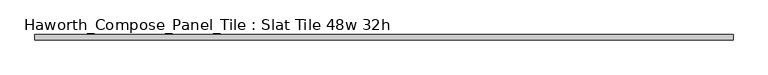
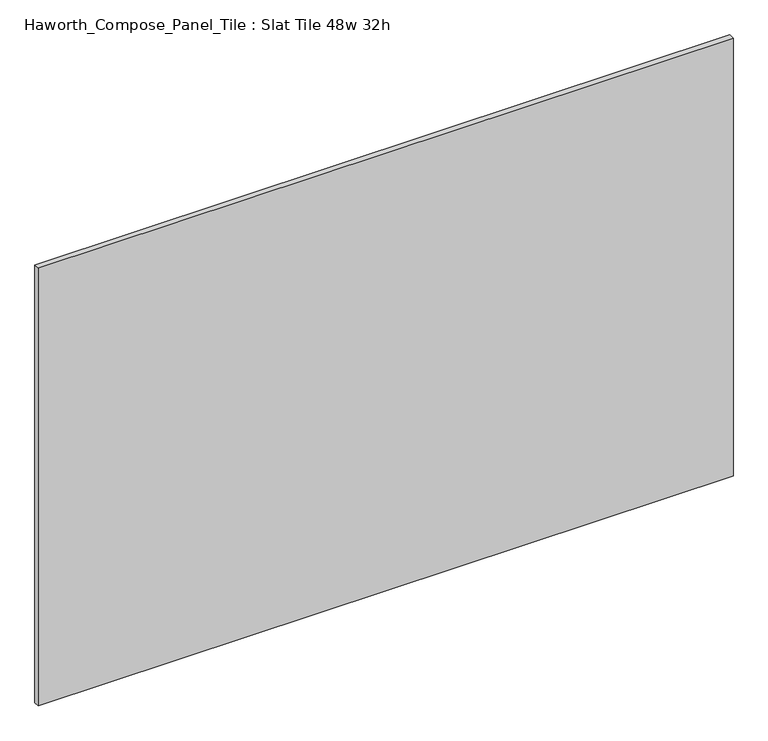
"""IFC4 building model written with IfcOpenShell, lengths in millimetres: furniture geometry, Haworth_Compose_Panel_Tile : Slat Tile 48w 32h."""

from ifc_helpers import new_model, si_unit, frame, origin, place, context, project, spatial, polyline, outline, extrude, source, transform, mapped, element, save


def haworth_compose_panel_tile_slat_tile_48w_32h_9011693a(model_context):
    return source(origin(), model_context, "Body", "SweptSolid", [
        extrude(outline(polyline([(612.0402902, -25.7218594), (-607.1597098, -25.7218594), (-607.1597098, -16.1968594), (612.0402902, -16.1968594), (612.0402902, -25.7218594)])), frame((0.0, 0.0, 1066.8), z_axis=(0.0, 0.0, 1.0), x_axis=(1.0, 0.0, 0.0)), (0.0, 0.0, 1.0), 812.8),
    ])


if __name__ == "__main__":
    model = new_model("IFC4")
    model_context = context("Model", 3, world=origin())
    ifc_project = project(units=[si_unit("LENGTHUNIT", "METRE", prefix="MILLI")], contexts=[model_context])
    site = spatial("IfcSite", under=ifc_project)
    building = spatial("IfcBuilding", under=site)
    placement = place(None, origin())
    haworth_compose_panel_tile_slat_tile_48w_32h_shape = haworth_compose_panel_tile_slat_tile_48w_32h_9011693a(model_context)
    element("IfcFurniture", 1, ObjectType="Haworth_Compose_Panel_Tile : Slat Tile 48w 32h", at=placement, inside=building, context=model_context, shape_type="MappedRepresentation", body=[
        mapped(haworth_compose_panel_tile_slat_tile_48w_32h_shape, transform((0.0, 0.0, 0.0), x_axis=(1.0, 0.0, 0.0), y_axis=(0.0, 1.0, 0.0), z_axis=(0.0, 0.0, 1.0))),
    ])
    save(model, "model.ifc")
